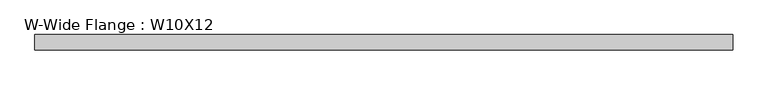
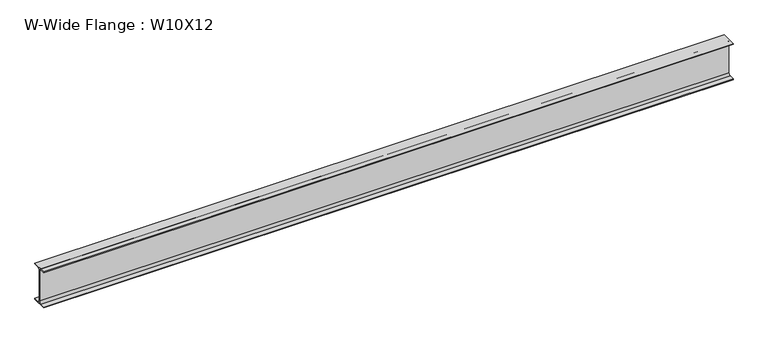
"""IFC4 building model written with IfcOpenShell, lengths in millimetres: beam geometry, W-Wide Flange : W10X12."""

import ifcopenshell
import ifcopenshell.guid

model = None  # the IFC model being written
_history = None  # IfcOwnerHistory: only IFC2X3 demands one
_inside = {}  # id of a spatial element -> (the spatial element, [elements in it])
_under = {}  # id of a project, library or spatial element -> (it, [spatial elements below it])
_declared = {}  # id of a project -> (the project, [libraries it declares])
_typed = {}  # id of a type object -> (the type object, [elements of that type])
_made_of = {}  # id of a material, layer set ... -> (it, [elements and type objects made of it])


def new_model(schema):
    """Start an empty IFC model of exactly this schema.

    Asked for "IFC4X3", IfcOpenShell would pick the latest addendum, in which some entities
    have other attributes; the version numbers below select the first issue.
    IFC2X3 requires an IfcOwnerHistory on every rooted entity: one is made here for all.
    """
    global model, _history
    if schema == "IFC4X3":
        model = ifcopenshell.file(schema_version=(4, 3, 0, 0))
    else:
        model = ifcopenshell.file(schema=schema)
    _inside.clear()
    _under.clear()
    _declared.clear()
    _typed.clear()
    _made_of.clear()
    _history = None
    if model.schema == "IFC2X3":
        org = make("IfcOrganization", Name="unknown")
        user = make(
            "IfcPersonAndOrganization",
            ThePerson=make("IfcPerson", FamilyName="unknown"),
            TheOrganization=org,
        )
        app = make(
            "IfcApplication",
            ApplicationDeveloper=org,
            Version="unknown",
            ApplicationFullName="unknown",
            ApplicationIdentifier="unknown",
        )
        _history = make(
            "IfcOwnerHistory",
            OwningUser=user,
            OwningApplication=app,
            ChangeAction="ADDED",
            CreationDate=0,
        )
    return model


def make(cls, **values):
    """One entity of the class cls with the attributes given. An attribute that is None is left unset."""
    return model.create_entity(
        cls, **{name: value for name, value in values.items() if value is not None}
    )


def rooted(cls, **values):
    """An entity with a GlobalId (a new one), such as an element, a storey or a relation."""
    return make(cls, GlobalId=ifcopenshell.guid.new(), OwnerHistory=_history, **values)


def si_unit(unit_type, name, prefix=None):
    """IfcSIUnit, for example si_unit("LENGTHUNIT", "METRE", prefix="MILLI")."""
    return make("IfcSIUnit", UnitType=unit_type, Prefix=prefix, Name=name)


def assignment(units):
    """IfcUnitAssignment: the units of a project."""
    return None if units is None else make("IfcUnitAssignment", Units=units)


def point(xyz):
    """IfcCartesianPoint."""
    return None if xyz is None else make("IfcCartesianPoint", Coordinates=xyz)


def direction(xyz):
    """IfcDirection."""
    return None if xyz is None else make("IfcDirection", DirectionRatios=xyz)


def frame(location, z_axis=None, x_axis=None):
    """IfcAxis2Placement3D, a coordinate frame: its origin and axes. An axis left out is left unset."""
    return make(
        "IfcAxis2Placement3D",
        Location=point(location),
        Axis=direction(z_axis),
        RefDirection=direction(x_axis),
    )


def frame_2d(location, x_axis=None):
    """IfcAxis2Placement2D, a coordinate frame in the plane: its origin and x axis."""
    return make(
        "IfcAxis2Placement2D", Location=point(location), RefDirection=direction(x_axis)
    )


def origin():
    """The frame at (0, 0, 0) with its axes left unset."""
    return frame((0.0, 0.0, 0.0))


def place(relative_to, where):
    """IfcLocalPlacement: puts the frame where relative to a parent placement (None: the world)."""
    return make(
        "IfcLocalPlacement", PlacementRelTo=relative_to, RelativePlacement=where
    )


def context(
    kind, dimensions, precision=None, world=None, true_north=None, identifier=None
):
    """IfcGeometricRepresentationContext, for example the 3D "Model" context."""
    return make(
        "IfcGeometricRepresentationContext",
        ContextIdentifier=identifier,
        ContextType=kind,
        CoordinateSpaceDimension=dimensions,
        Precision=precision,
        WorldCoordinateSystem=world,
        TrueNorth=true_north,
    )


def project(units=None, contexts=None):
    """IfcProject with its units and contexts."""
    return rooted(
        "IfcProject",
        Name="project",
        RepresentationContexts=contexts,
        UnitsInContext=assignment(units),
    )


def spatial(cls, under=None, at=None, **own):
    """A site, building, storey or space (cls), placed at a placement, below another one or the project."""
    s = rooted(cls, ObjectPlacement=at, **own)
    if under is not None:
        _under.setdefault(under.id(), (under, []))[1].append(s)
    return s


def polyline(points):
    """IfcPolyline through the points."""
    return make("IfcPolyline", Points=[point(p) for p in points])


def circle_curve(where, radius):
    """IfcCircle in the frame where."""
    return make("IfcCircle", Position=where, Radius=radius)


def trimmed(basis, trim1, trim2, sense, master):
    """IfcTrimmedCurve: the piece of a basis curve between two trims."""
    return make(
        "IfcTrimmedCurve",
        BasisCurve=basis,
        Trim1=trim1,
        Trim2=trim2,
        SenseAgreement=sense,
        MasterRepresentation=master,
    )


def segment(curve, same_sense, transition):
    """IfcCompositeCurveSegment."""
    return make(
        "IfcCompositeCurveSegment",
        Transition=transition,
        SameSense=same_sense,
        ParentCurve=curve,
    )


def composite_curve(segments, self_intersect=None):
    """IfcCompositeCurve: segments joined end to end."""
    return make("IfcCompositeCurve", Segments=segments, SelfIntersect=self_intersect)


def outline(outer, holes=None, kind="AREA"):
    """IfcArbitraryClosedProfileDef: a profile drawn as a closed curve; with holes, ...WithVoids."""
    if holes is None:
        return make("IfcArbitraryClosedProfileDef", ProfileType=kind, OuterCurve=outer)
    return make(
        "IfcArbitraryProfileDefWithVoids",
        ProfileType=kind,
        OuterCurve=outer,
        InnerCurves=holes,
    )


def extrude(swept, where, along, depth):
    """IfcExtrudedAreaSolid: the profile swept, set in the frame where, extruded along a direction by depth."""
    return make(
        "IfcExtrudedAreaSolid",
        SweptArea=swept,
        Position=where,
        ExtrudedDirection=direction(along),
        Depth=depth,
    )


def shape(context_of_items, identifier, shape_type, items):
    """IfcShapeRepresentation: the items that make up one representation, for example the "Body"."""
    return make(
        "IfcShapeRepresentation",
        ContextOfItems=context_of_items,
        RepresentationIdentifier=identifier,
        RepresentationType=shape_type,
        Items=items,
    )


def source(mapping_origin, context_of_items, identifier, shape_type, items):
    """IfcRepresentationMap: a shape defined once, which mapped items show again and again."""
    return make(
        "IfcRepresentationMap",
        MappingOrigin=mapping_origin,
        MappedRepresentation=shape(context_of_items, identifier, shape_type, items),
    )


def transform(
    local_origin,
    x_axis=None,
    y_axis=None,
    z_axis=None,
    scale=None,
    scale2=None,
    scale3=None,
    uniform=True,
):
    """IfcCartesianTransformationOperator3D, or its non-uniform kind. x_axis, y_axis, z_axis: its Axis1, 2, 3."""
    if uniform:
        return make(
            "IfcCartesianTransformationOperator3D",
            Axis1=direction(x_axis),
            Axis2=direction(y_axis),
            LocalOrigin=point(local_origin),
            Scale=scale,
            Axis3=direction(z_axis),
        )
    return make(
        "IfcCartesianTransformationOperator3DnonUniform",
        Axis1=direction(x_axis),
        Axis2=direction(y_axis),
        LocalOrigin=point(local_origin),
        Scale=scale,
        Axis3=direction(z_axis),
        Scale2=scale2,
        Scale3=scale3,
    )


def mapped(mapping_source, mapping_target):
    """IfcMappedItem: shows the shape of a source again, moved by a transform."""
    return make(
        "IfcMappedItem", MappingSource=mapping_source, MappingTarget=mapping_target
    )


def made_of(thing, what):
    """Note that an element or type object is made of a material, layer set ...; save() writes the relation."""
    if what is not None:
        _made_of.setdefault(what.id(), (what, []))[1].append(thing)
    return thing


def element(
    cls,
    number,
    at=None,
    inside=None,
    cuts=None,
    type_object=None,
    material=None,
    context=None,
    identifier="Body",
    shape_type=None,
    held_by="IfcProductDefinitionShape",
    body=None,
    shapes=None,
    **own,
):
    """One element of the class cls, such as IfcWall. Its Tag is "e" and its number.

    at: its placement. inside: the storey or other place that contains it. cuts: it is an
    opening in that element (IfcRelVoidsElement). A single representation is given by context,
    identifier, shape_type and body (its items); several are given by shapes. held_by: the class
    of the entity that holds the representations. save() writes the other relations.
    """
    e = rooted(cls, Tag="e%d" % number, ObjectPlacement=at, **own)
    if body is not None:
        shapes = [shape(context, identifier, shape_type, body)]
    if shapes is not None:
        e.Representation = make(held_by, Representations=shapes)
    if inside is not None:
        _inside.setdefault(inside.id(), (inside, []))[1].append(e)
    if cuts is not None:
        rooted(
            "IfcRelVoidsElement", RelatingBuildingElement=cuts, RelatedOpeningElement=e
        )
    if type_object is not None:
        _typed.setdefault(type_object.id(), (type_object, []))[1].append(e)
    return made_of(e, material)


def aggregate(whole, parts):
    """IfcRelAggregates: a whole, such as a stair, and the parts it consists of."""
    return rooted("IfcRelAggregates", RelatingObject=whole, RelatedObjects=parts)


def save(model, path):
    """Write the relations noted so far, then the file.

    IfcRelAggregates (storeys below a building ...), IfcRelContainedInSpatialStructure (elements
    in a storey), IfcRelDefinesByType, IfcRelAssociatesMaterial and IfcRelDeclares: one each for
    every whole, place, type object, material and project.
    """
    for whole, parts in _under.values():
        aggregate(whole, parts)
    for where, things in _inside.values():
        rooted(
            "IfcRelContainedInSpatialStructure",
            RelatedElements=things,
            RelatingStructure=where,
        )
    for kind, things in _typed.values():
        rooted("IfcRelDefinesByType", RelatedObjects=things, RelatingType=kind)
    for what, things in _made_of.values():
        rooted("IfcRelAssociatesMaterial", RelatedObjects=things, RelatingMaterial=what)
    for by, libraries in _declared.values():
        rooted("IfcRelDeclares", RelatingContext=by, RelatedDefinitions=libraries)
    model.write(path)


def w_wide_flange_w10x12_4e7eff90(model_context):
    return source(origin(), model_context, "Body", "SweptSolid", [
        extrude(outline(composite_curve([segment(polyline([(50.3039062, -120.0050781), (50.3039062, -125.3628906), (-50.3039063, -125.3628906), (-50.3039063, -120.0050781), (-16.1230469, -120.0050781)]), True, "CONTINUOUS"), segment(trimmed(circle_curve(frame_2d((-16.1230469, -106.3128906)), 13.6921875), [point((-16.1230469, -120.0050781))], [point((-2.4308594, -106.3128906))], True, "CARTESIAN"), True, "CONTINUOUS"), segment(polyline([(-2.4308594, -106.3128906), (-2.4308594, 106.3128906)]), True, "CONTINUOUS"), segment(trimmed(circle_curve(frame_2d((-16.1230469, 106.3128906)), 13.6921875), [point((-2.4308594, 106.3128906))], [point((-16.1230469, 120.0050781))], True, "CARTESIAN"), True, "CONTINUOUS"), segment(polyline([(-16.1230469, 120.0050781), (-50.3039063, 120.0050781), (-50.3039063, 125.3628906), (50.3039062, 125.3628906), (50.3039062, 120.0050781), (16.1230469, 120.0050781)]), True, "CONTINUOUS"), segment(trimmed(circle_curve(frame_2d((16.1230469, 106.3128906)), 13.6921875), [point((16.1230469, 120.0050781))], [point((2.4308594, 106.3128906))], True, "CARTESIAN"), True, "CONTINUOUS"), segment(polyline([(2.4308594, 106.3128906), (2.4308594, -106.3128906)]), True, "CONTINUOUS"), segment(trimmed(circle_curve(frame_2d((16.1230469, -106.3128906)), 13.6921875), [point((2.4308594, -106.3128906))], [point((16.1230469, -120.0050781))], True, "CARTESIAN"), True, "CONTINUOUS"), segment(polyline([(16.1230469, -120.0050781), (50.3039062, -120.0050781)]), True, "CONTINUOUS")], self_intersect=False)), frame((-2286.0, 0.0, 0.0), z_axis=(1.0, 0.0, 0.0), x_axis=(0.0, 1.0, 0.0)), (0.0, 0.0, 1.0), 4552.553125),
    ])


if __name__ == "__main__":
    model = new_model("IFC4")
    model_context = context("Model", 3, world=origin())
    ifc_project = project(units=[si_unit("LENGTHUNIT", "METRE", prefix="MILLI")], contexts=[model_context])
    site = spatial("IfcSite", under=ifc_project)
    building = spatial("IfcBuilding", under=site)
    placement = place(None, origin())
    w_wide_flange_w10x12_shape = w_wide_flange_w10x12_4e7eff90(model_context)
    element("IfcBeam", 1, ObjectType="W-Wide Flange : W10X12", at=placement, inside=building, context=model_context, shape_type="MappedRepresentation", body=[
        mapped(w_wide_flange_w10x12_shape, transform((0.0, 0.0, 0.0), x_axis=(1.0, 0.0, 0.0), y_axis=(0.0, 1.0, 0.0), z_axis=(0.0, 0.0, 1.0))),
    ])
    save(model, "model.ifc")
